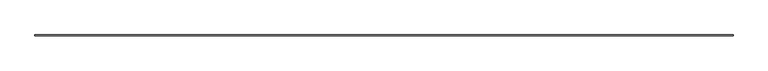
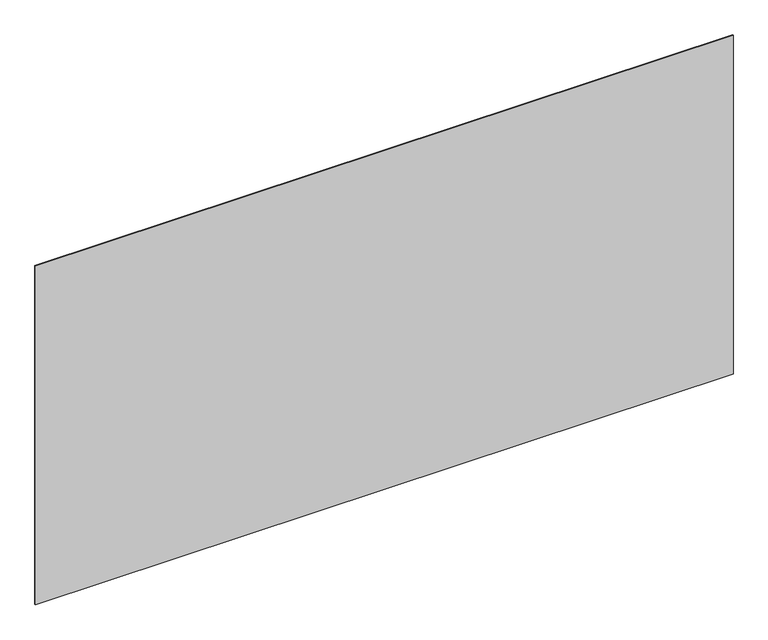
"""IFC4 building model written with IfcOpenShell, lengths in millimetres: furniture geometry."""

from ifc_helpers import new_model, si_unit, frame, origin, place, context, project, spatial, polyline, outline, extrude, source, transform, mapped, element, save


def furniture_8cede62f(model_context):
    return source(origin(), model_context, "Body", "SweptSolid", [
        extrude(outline(polyline([(882.1539126, 177.8), (882.1539126, 176.2125), (-304.8, 176.2125), (-304.8, 177.8), (882.1539126, 177.8)])), frame((0.0, 0.0, 1013.333), z_axis=(0.0, 0.0, 1.0), x_axis=(1.0, 0.0, 0.0)), (0.0, 0.0, 1.0), 609.6),
    ])


if __name__ == "__main__":
    model = new_model("IFC4")
    model_context = context("Model", 3, world=origin())
    ifc_project = project(units=[si_unit("LENGTHUNIT", "METRE", prefix="MILLI")], contexts=[model_context])
    site = spatial("IfcSite", under=ifc_project)
    building = spatial("IfcBuilding", under=site)
    placement = place(None, origin())
    furniture_shape = furniture_8cede62f(model_context)
    element("IfcFurniture", 1, at=placement, inside=building, context=model_context, shape_type="MappedRepresentation", body=[
        mapped(furniture_shape, transform((0.0, 0.0, 0.0), x_axis=(1.0, 0.0, 0.0), y_axis=(0.0, 1.0, 0.0), z_axis=(0.0, 0.0, 1.0))),
    ])
    save(model, "model.ifc")
